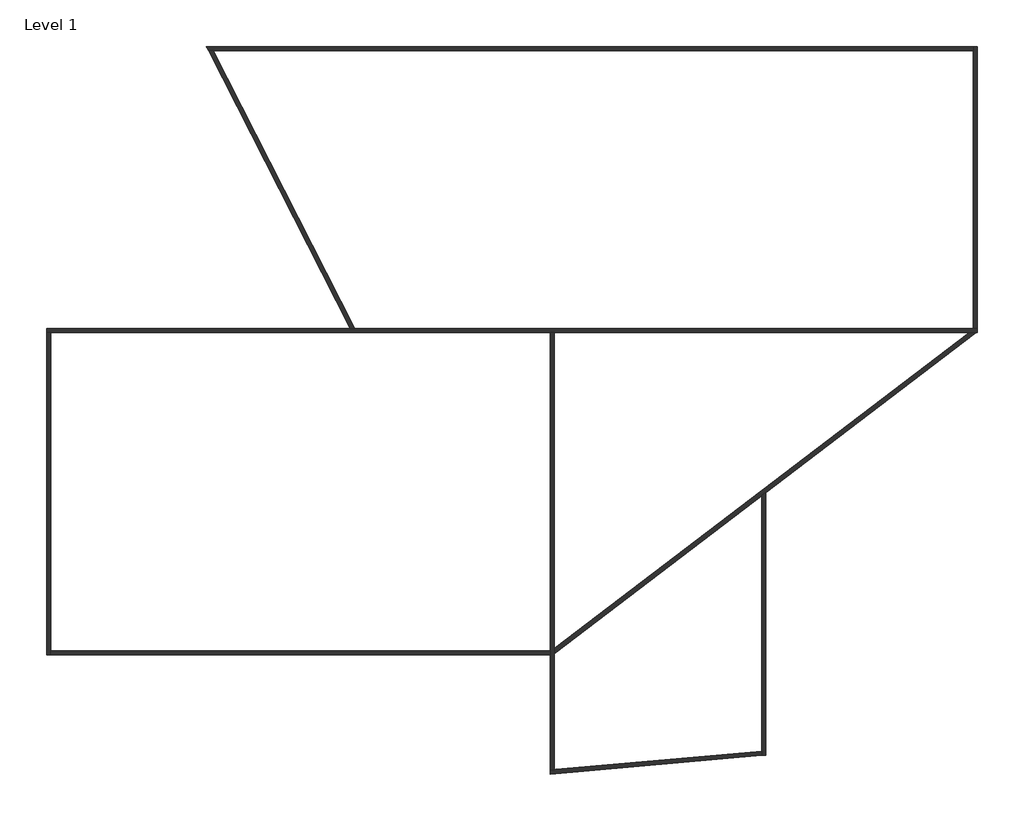
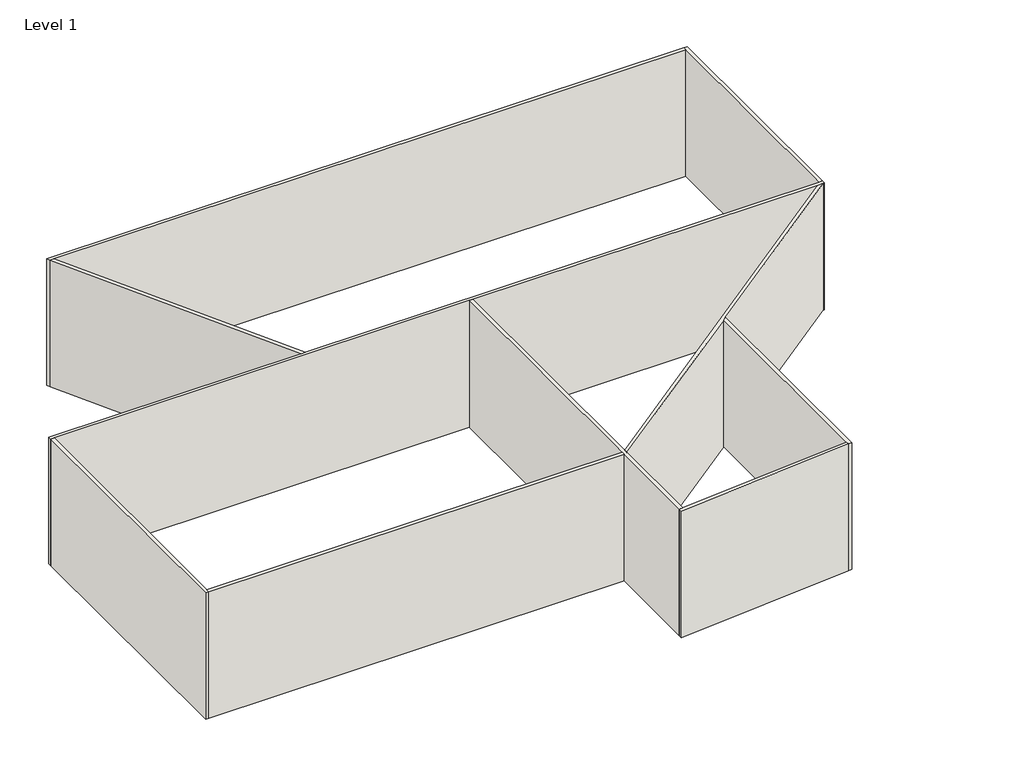
# One storey: 10 walls.
"""IFC4 building model written with IfcOpenShell, lengths in millimetres."""

from ifc_helpers import new_model, si_unit, origin, origin_with_axes, place, context, project, spatial, polyline, outline, extrude, faceted_brep, element, save

model = new_model("IFC4")

# Units and contexts
model_context = context("Model", 3, world=origin())
ifc_project = project(units=[si_unit("LENGTHUNIT", "METRE", prefix="MILLI")], contexts=[model_context])

# Site, building, storey
site = spatial("IfcSite", under=ifc_project)
building = spatial("IfcBuilding", under=site)
storey = spatial("IfcBuildingStorey", under=building, Name="Level 1", Elevation=0.0)

# Walls
placement = place(None, origin())
element("IfcWall", 1, ObjectType="Generic - 200mm", at=placement, inside=storey, context=model_context, shape_type="Brep", body=[
    faceted_brep([(-12978.834015, 8472.1466514, 0.0), (-12778.834015, 8472.1466514, 0.0), (12021.165985, 8472.1466514, 0.0), (12221.165985, 8472.1466514, 0.0), (32824.9112502, 8472.1466514, 0.0), (33154.9207198, 8472.1466514, 0.0), (33221.165985, 8472.1466514, 0.0), (33221.165985, 8472.1466514, 8000.0), (33154.9207198, 8472.1466514, 8000.0), (32824.9112502, 8472.1466514, 8000.0), (12221.165985, 8472.1466514, 8000.0), (12021.165985, 8472.1466514, 8000.0), (-12778.834015, 8472.1466514, 8000.0), (-12978.834015, 8472.1466514, 8000.0), (-12978.834015, 8672.1466514, 0.0), (-12978.834015, 8672.1466514, 8000.0), (2091.3371092, 8672.1466514, 8000.0), (2315.8023567, 8672.1466514, 8000.0), (33021.165985, 8672.1466514, 8000.0), (33221.165985, 8672.1466514, 8000.0), (33221.165985, 8672.1466514, 0.0), (33021.165985, 8672.1466514, 0.0), (2315.8023567, 8672.1466514, 0.0), (2091.3371092, 8672.1466514, 0.0)], [[[0, 1, 2, 3, 4, 5, 6, 7, 8, 9, 10, 11, 12, 13]], [[14, 15, 16, 17, 18, 19, 20, 21, 22, 23]], [[6, 5, 4, 3, 2, 1, 0, 14, 23, 22, 21, 20]], [[13, 12, 11, 10, 9, 8, 7, 19, 18, 17, 16, 15]], [[0, 13, 15, 14]], [[7, 6, 20, 19]]]),
])
element("IfcWall", 2, ObjectType="Generic - 200mm", at=placement, inside=storey, context=model_context, shape_type="Brep", body=[
    faceted_brep([(-12778.834015, -7527.8533486, 0.0), (-12778.834015, -7327.8533486, 0.0), (-12778.834015, 8472.1466514, 0.0), (-12778.834015, 8472.1466514, 8000.0), (-12778.834015, -7327.8533486, 8000.0), (-12778.834015, -7527.8533486, 8000.0), (-12978.834015, -7527.8533486, 0.0), (-12978.834015, -7527.8533486, 8000.0), (-12978.834015, 8472.1466514, 8000.0), (-12978.834015, 8472.1466514, 0.0)], [[[0, 1, 2, 3, 4, 5]], [[6, 7, 8, 9]], [[2, 1, 0, 6, 9]], [[5, 4, 3, 8, 7]], [[0, 5, 7, 6]], [[3, 2, 9, 8]]]),
])
element("IfcWall", 3, ObjectType="Generic - 200mm", at=placement, inside=storey, context=model_context, shape_type="SweptSolid", body=[
    extrude(outline(polyline([(-12778.834015, -7327.8533486), (12021.165985, -7327.8533486), (12021.165985, -7527.8533486), (-12778.834015, -7527.8533486), (-12778.834015, -7327.8533486)])), origin_with_axes(), (0.0, 0.0, 1.0), 8000.0),
])
element("IfcWall", 4, ObjectType="Generic - 200mm", at=placement, inside=storey, context=model_context, shape_type="Brep", body=[
    faceted_brep([(12021.165985, 8472.1466514, 0.0), (12021.165985, -7327.8533486, 0.0), (12021.165985, -7527.8533486, 0.0), (12021.165985, -13254.8511982, 0.0), (12021.165985, -13254.8511982, 8000.0), (12021.165985, -7527.8533486, 8000.0), (12021.165985, -7327.8533486, 8000.0), (12021.165985, 8472.1466514, 8000.0), (12221.165985, 8472.1466514, 0.0), (12221.165985, 8472.1466514, 8000.0), (12221.165985, -7225.9449793, 8000.0), (12221.165985, -7477.3807656, 8000.0), (12221.165985, -13237.3534655, 8000.0), (12221.165985, -13237.3534655, 0.0), (12221.165985, -7477.3807656, 0.0), (12221.165985, -7225.9449793, 0.0)], [[[0, 1, 2, 3, 4, 5, 6, 7]], [[8, 9, 10, 11, 12, 13, 14, 15]], [[3, 2, 1, 0, 8, 15, 14, 13]], [[7, 6, 5, 4, 12, 11, 10, 9]], [[0, 7, 9, 8]], [[4, 3, 13, 12]]]),
])
element("IfcWall", 5, ObjectType="Generic - 200mm", at=placement, inside=storey, context=model_context, shape_type="Brep", body=[
    faceted_brep([(33221.165985, 8672.1466514, 0.0), (33221.165985, 22672.1466514, 0.0), (33221.165985, 22672.1466514, 8000.0), (33221.165985, 8672.1466514, 8000.0), (33021.165985, 8672.1466514, 0.0), (33021.165985, 8672.1466514, 8000.0), (33021.165985, 22472.1466514, 8000.0), (33021.165985, 22672.1466514, 8000.0), (33021.165985, 22672.1466514, 0.0), (33021.165985, 22472.1466514, 0.0)], [[[0, 1, 2, 3]], [[4, 5, 6, 7, 8, 9]], [[1, 0, 4, 9, 8]], [[3, 2, 7, 6, 5]], [[0, 3, 5, 4]], [[2, 1, 8, 7]]]),
])
element("IfcWall", 6, ObjectType="Generic - 200mm", at=placement, inside=storey, context=model_context, shape_type="Brep", body=[
    faceted_brep([(33021.165985, 22672.1466514, 0.0), (-5042.0191837, 22672.1466514, 0.0), (-5042.0191837, 22672.1466514, 8000.0), (33021.165985, 22672.1466514, 8000.0), (33021.165985, 22472.1466514, 0.0), (33021.165985, 22472.1466514, 8000.0), (-4715.6488463, 22472.1466514, 8000.0), (-4940.1140938, 22472.1466514, 8000.0), (-4940.1140938, 22472.1466514, 0.0), (-4715.6488463, 22472.1466514, 0.0)], [[[0, 1, 2, 3]], [[4, 5, 6, 7, 8, 9]], [[1, 0, 4, 9, 8]], [[3, 2, 7, 6, 5]], [[0, 3, 5, 4]], [[2, 1, 8, 7]]]),
])
element("IfcWall", 7, ObjectType="Generic - 200mm", at=placement, inside=storey, context=model_context, shape_type="SweptSolid", body=[
    extrude(outline(polyline([(2091.3371092, 8672.1466514), (-4940.1140938, 22472.1466514), (-4715.6488463, 22472.1466514), (2315.8023567, 8672.1466514), (2091.3371092, 8672.1466514)])), origin_with_axes(), (0.0, 0.0, 1.0), 8000.0),
])
element("IfcWall", 8, ObjectType="Generic - 200mm", at=placement, inside=storey, context=model_context, shape_type="Brep", body=[
    faceted_brep([(12221.165985, -7477.3807656, 0.0), (22521.165985, 370.238282, 0.0), (22721.165985, 522.6192344, 0.0), (33154.9207198, 8472.1466514, 0.0), (33154.9207198, 8472.1466514, 8000.0), (22721.165985, 522.6192344, 8000.0), (22521.165985, 370.238282, 8000.0), (12221.165985, -7477.3807656, 8000.0), (12221.165985, -7225.9449793, 0.0), (12221.165985, -7225.9449793, 8000.0), (32824.9112502, 8472.1466514, 8000.0), (32824.9112502, 8472.1466514, 0.0)], [[[0, 1, 2, 3, 4, 5, 6, 7]], [[8, 9, 10, 11]], [[3, 2, 1, 0, 8, 11]], [[7, 6, 5, 4, 10, 9]], [[4, 3, 11, 10]], [[0, 7, 9, 8]]]),
])
element("IfcWall", 9, ObjectType="Generic - 200mm", at=placement, inside=storey, context=model_context, shape_type="Brep", body=[
    faceted_brep([(22521.165985, 370.238282, 0.0), (22521.165985, -12336.2202312, 0.0), (22521.165985, -12536.9841987, 0.0), (22521.165985, -12536.9841987, 8000.0), (22521.165985, -12336.2202312, 8000.0), (22521.165985, 370.238282, 8000.0), (22721.165985, 522.6192344, 0.0), (22721.165985, 522.6192344, 8000.0), (22721.165985, -12519.486466, 8000.0), (22721.165985, -12519.486466, 0.0)], [[[0, 1, 2, 3, 4, 5]], [[6, 7, 8, 9]], [[2, 1, 0, 6, 9]], [[5, 4, 3, 8, 7]], [[0, 5, 7, 6]], [[3, 2, 9, 8]]]),
])
element("IfcWall", 10, ObjectType="Generic - 200mm", at=placement, inside=storey, context=model_context, shape_type="Brep", body=[
    faceted_brep([(22521.165985, -12336.2202312, 0.0), (12221.165985, -13237.3534655, 0.0), (12021.165985, -13254.8511982, 0.0), (12021.165985, -13254.8511982, 8000.0), (12221.165985, -13237.3534655, 8000.0), (22521.165985, -12336.2202312, 8000.0), (22521.165985, -12536.9841987, 0.0), (22521.165985, -12536.9841987, 8000.0), (12021.165985, -13455.6151657, 8000.0), (12021.165985, -13455.6151657, 0.0)], [[[0, 1, 2, 3, 4, 5]], [[6, 7, 8, 9]], [[2, 1, 0, 6, 9]], [[5, 4, 3, 8, 7]], [[0, 5, 7, 6]], [[3, 2, 9, 8]]]),
])

save(model, "model.ifc")
